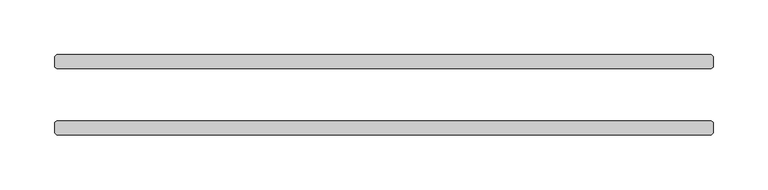
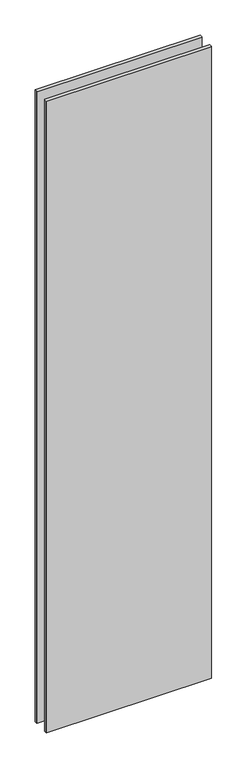
"""IFC4 building model written with IfcOpenShell, lengths in millimetres: plate geometry."""

from ifc_helpers import new_model, si_unit, origin, origin_with_axes, place, context, project, spatial, polyline, outline, extrude, source, transform, mapped, element, save


def plate_89b4d65b(model_context):
    return source(origin(), model_context, "Body", "SweptSolid", [
        extrude(outline(polyline([(298.053125, 23.8125), (-298.053125, 23.8125), (-299.640625, 25.4), (-299.640625, 34.925), (-298.053125, 36.5125), (298.053125, 36.5125), (299.640625, 34.925), (299.640625, 25.4), (298.053125, 23.8125)])), origin_with_axes(), (0.0, 0.0, 1.0), 2417.7625023),
        extrude(outline(polyline([(298.053125, -36.5125), (-298.053125, -36.5125), (-299.640625, -34.925), (-299.640625, -25.4), (-298.053125, -23.8125), (298.053125, -23.8125), (299.640625, -25.4), (299.640625, -34.925), (298.053125, -36.5125)])), origin_with_axes(), (0.0, 0.0, 1.0), 2417.7625023),
    ])


if __name__ == "__main__":
    model = new_model("IFC4")
    model_context = context("Model", 3, world=origin())
    ifc_project = project(units=[si_unit("LENGTHUNIT", "METRE", prefix="MILLI")], contexts=[model_context])
    site = spatial("IfcSite", under=ifc_project)
    building = spatial("IfcBuilding", under=site)
    placement = place(None, origin())
    plate_shape = plate_89b4d65b(model_context)
    element("IfcPlate", 1, at=placement, inside=building, context=model_context, shape_type="MappedRepresentation", body=[
        mapped(plate_shape, transform((0.0, 0.0, 0.0), x_axis=(1.0, 0.0, 0.0), y_axis=(0.0, 1.0, 0.0), z_axis=(0.0, 0.0, 1.0))),
    ])
    save(model, "model.ifc")
